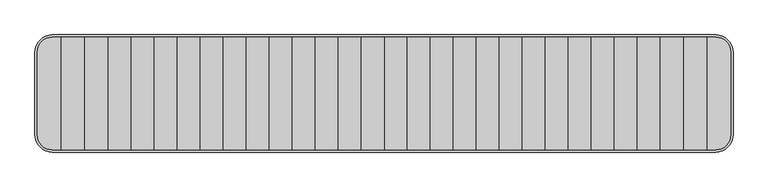
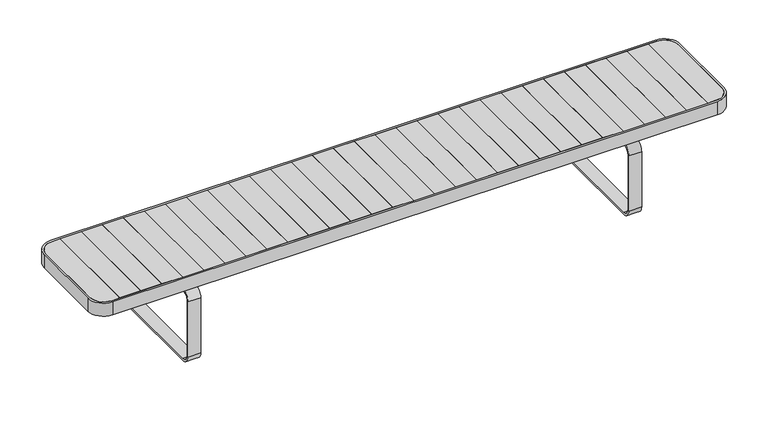
"""IFC4 building model written with IfcOpenShell, lengths in millimetres: furniture geometry."""

from ifc_helpers import new_model, si_unit, point, frame, frame_2d, origin, origin_with_axes, place, context, project, spatial, polyline, circle_curve, trimmed, segment, composite_curve, outline, extrude, source, transform, mapped, element, save
from ifc_brep_helpers import plane_surface, cylinder_surface, advanced_brep


def furniture_b28e46a4(model_context):
    return source(origin(), model_context, "Body", "SolidModel", [
        extrude(outline(polyline([(-1283.1, -242.0), (-1381.8, -242.0), (-1381.8, 242.0), (-1283.1, 242.0), (-1283.1, -242.0)])), frame((0.0, 0.0, 422.0), z_axis=(0.0, 0.0, 1.0), x_axis=(1.0, 0.0, 0.0)), (0.0, 0.0, 1.0), 28.0),
        extrude(outline(polyline([(-1184.4, -242.0), (-1283.1, -242.0), (-1283.1, 242.0), (-1184.4, 242.0), (-1184.4, -242.0)])), frame((0.0, 0.0, 422.0), z_axis=(0.0, 0.0, 1.0), x_axis=(1.0, 0.0, 0.0)), (0.0, 0.0, 1.0), 28.0),
        extrude(outline(polyline([(-1085.7, -242.0), (-1184.4, -242.0), (-1184.4, 242.0), (-1085.7, 242.0), (-1085.7, -242.0)])), frame((0.0, 0.0, 422.0), z_axis=(0.0, 0.0, 1.0), x_axis=(1.0, 0.0, 0.0)), (0.0, 0.0, 1.0), 28.0),
        extrude(outline(polyline([(-987.0, -242.0), (-1085.7, -242.0), (-1085.7, 242.0), (-987.0, 242.0), (-987.0, -242.0)])), frame((0.0, 0.0, 422.0), z_axis=(0.0, 0.0, 1.0), x_axis=(1.0, 0.0, 0.0)), (0.0, 0.0, 1.0), 28.0),
        extrude(outline(polyline([(-888.3, -242.0), (-987.0, -242.0), (-987.0, 242.0), (-888.3, 242.0), (-888.3, -242.0)])), frame((0.0, 0.0, 422.0), z_axis=(0.0, 0.0, 1.0), x_axis=(1.0, 0.0, 0.0)), (0.0, 0.0, 1.0), 28.0),
        extrude(outline(polyline([(-789.6, -242.0), (-888.3, -242.0), (-888.3, 242.0), (-789.6, 242.0), (-789.6, -242.0)])), frame((0.0, 0.0, 422.0), z_axis=(0.0, 0.0, 1.0), x_axis=(1.0, 0.0, 0.0)), (0.0, 0.0, 1.0), 28.0),
        extrude(outline(polyline([(-690.9, -242.0), (-789.6, -242.0), (-789.6, 242.0), (-690.9, 242.0), (-690.9, -242.0)])), frame((0.0, 0.0, 422.0), z_axis=(0.0, 0.0, 1.0), x_axis=(1.0, 0.0, 0.0)), (0.0, 0.0, 1.0), 28.0),
        extrude(outline(polyline([(-592.2, -242.0), (-690.9, -242.0), (-690.9, 242.0), (-592.2, 242.0), (-592.2, -242.0)])), frame((0.0, 0.0, 422.0), z_axis=(0.0, 0.0, 1.0), x_axis=(1.0, 0.0, 0.0)), (0.0, 0.0, 1.0), 28.0),
        extrude(outline(polyline([(-493.5, -242.0), (-592.2, -242.0), (-592.2, 242.0), (-493.5, 242.0), (-493.5, -242.0)])), frame((0.0, 0.0, 422.0), z_axis=(0.0, 0.0, 1.0), x_axis=(1.0, 0.0, 0.0)), (0.0, 0.0, 1.0), 28.0),
        extrude(outline(polyline([(-394.8, -242.0), (-493.5, -242.0), (-493.5, 242.0), (-394.8, 242.0), (-394.8, -242.0)])), frame((0.0, 0.0, 422.0), z_axis=(0.0, 0.0, 1.0), x_axis=(1.0, 0.0, 0.0)), (0.0, 0.0, 1.0), 28.0),
        extrude(outline(polyline([(-296.1, -242.0), (-394.8, -242.0), (-394.8, 242.0), (-296.1, 242.0), (-296.1, -242.0)])), frame((0.0, 0.0, 422.0), z_axis=(0.0, 0.0, 1.0), x_axis=(1.0, 0.0, 0.0)), (0.0, 0.0, 1.0), 28.0),
        extrude(outline(composite_curve([segment(polyline([(-1485.5004557, -177.0), (-1485.5004557, 177.0)]), True, "CONTINUOUS"), segment(trimmed(circle_curve(frame_2d((-1420.5004557, 177.0)), 65.0), [point((-1485.5004557, 177.0))], [point((-1420.5004557, 242.0))], False, "CARTESIAN"), True, "CONTINUOUS"), segment(polyline([(-1420.5004557, 242.0), (-1381.8, 242.0), (-1381.8, -242.0), (-1420.5004557, -242.0)]), True, "CONTINUOUS"), segment(trimmed(circle_curve(frame_2d((-1420.5004557, -177.0)), 65.0), [point((-1420.5004557, -242.0))], [point((-1485.5004557, -177.0))], False, "CARTESIAN"), True, "CONTINUOUS")], self_intersect=False)), frame((0.0, 0.0, 422.0), z_axis=(0.0, 0.0, 1.0), x_axis=(1.0, 0.0, 0.0)), (0.0, 0.0, 1.0), 28.0),
        extrude(outline(polyline([(-197.4, -242.0), (-296.1, -242.0), (-296.1, 242.0), (-197.4, 242.0), (-197.4, -242.0)])), frame((0.0, 0.0, 422.0), z_axis=(0.0, 0.0, 1.0), x_axis=(1.0, 0.0, 0.0)), (0.0, 0.0, 1.0), 28.0),
        extrude(outline(polyline([(-98.7, -242.0), (-197.4, -242.0), (-197.4, 242.0), (-98.7, 242.0), (-98.7, -242.0)])), frame((0.0, 0.0, 422.0), z_axis=(0.0, 0.0, 1.0), x_axis=(1.0, 0.0, 0.0)), (0.0, 0.0, 1.0), 28.0),
        extrude(outline(polyline([(0.0, -242.0), (-98.7, -242.0), (-98.7, 242.0), (0.0, 242.0), (0.0, -242.0)])), frame((0.0, 0.0, 422.0), z_axis=(0.0, 0.0, 1.0), x_axis=(1.0, 0.0, 0.0)), (0.0, 0.0, 1.0), 28.0),
        extrude(outline(polyline([(1381.8, -242.0), (1283.1, -242.0), (1283.1, 242.0), (1381.8, 242.0), (1381.8, -242.0)])), frame((0.0, 0.0, 422.0), z_axis=(0.0, 0.0, 1.0), x_axis=(1.0, 0.0, 0.0)), (0.0, 0.0, 1.0), 28.0),
        extrude(outline(polyline([(1283.1, -242.0), (1184.4, -242.0), (1184.4, 242.0), (1283.1, 242.0), (1283.1, -242.0)])), frame((0.0, 0.0, 422.0), z_axis=(0.0, 0.0, 1.0), x_axis=(1.0, 0.0, 0.0)), (0.0, 0.0, 1.0), 28.0),
        extrude(outline(polyline([(1184.4, -242.0), (1085.7, -242.0), (1085.7, 242.0), (1184.4, 242.0), (1184.4, -242.0)])), frame((0.0, 0.0, 422.0), z_axis=(0.0, 0.0, 1.0), x_axis=(1.0, 0.0, 0.0)), (0.0, 0.0, 1.0), 28.0),
        extrude(outline(polyline([(1085.7, -242.0), (987.0, -242.0), (987.0, 242.0), (1085.7, 242.0), (1085.7, -242.0)])), frame((0.0, 0.0, 422.0), z_axis=(0.0, 0.0, 1.0), x_axis=(1.0, 0.0, 0.0)), (0.0, 0.0, 1.0), 28.0),
        extrude(outline(polyline([(987.0, -242.0), (888.3, -242.0), (888.3, 242.0), (987.0, 242.0), (987.0, -242.0)])), frame((0.0, 0.0, 422.0), z_axis=(0.0, 0.0, 1.0), x_axis=(1.0, 0.0, 0.0)), (0.0, 0.0, 1.0), 28.0),
        extrude(outline(polyline([(888.3, -242.0), (789.6, -242.0), (789.6, 242.0), (888.3, 242.0), (888.3, -242.0)])), frame((0.0, 0.0, 422.0), z_axis=(0.0, 0.0, 1.0), x_axis=(1.0, 0.0, 0.0)), (0.0, 0.0, 1.0), 28.0),
        extrude(outline(polyline([(789.6, -242.0), (690.9, -242.0), (690.9, 242.0), (789.6, 242.0), (789.6, -242.0)])), frame((0.0, 0.0, 422.0), z_axis=(0.0, 0.0, 1.0), x_axis=(1.0, 0.0, 0.0)), (0.0, 0.0, 1.0), 28.0),
        extrude(outline(polyline([(690.9, -242.0), (592.2, -242.0), (592.2, 242.0), (690.9, 242.0), (690.9, -242.0)])), frame((0.0, 0.0, 422.0), z_axis=(0.0, 0.0, 1.0), x_axis=(1.0, 0.0, 0.0)), (0.0, 0.0, 1.0), 28.0),
        extrude(outline(polyline([(592.2, -242.0), (493.5, -242.0), (493.5, 242.0), (592.2, 242.0), (592.2, -242.0)])), frame((0.0, 0.0, 422.0), z_axis=(0.0, 0.0, 1.0), x_axis=(1.0, 0.0, 0.0)), (0.0, 0.0, 1.0), 28.0),
        extrude(outline(polyline([(493.5, -242.0), (394.8, -242.0), (394.8, 242.0), (493.5, 242.0), (493.5, -242.0)])), frame((0.0, 0.0, 422.0), z_axis=(0.0, 0.0, 1.0), x_axis=(1.0, 0.0, 0.0)), (0.0, 0.0, 1.0), 28.0),
        extrude(outline(polyline([(394.8, -242.0), (296.1, -242.0), (296.1, 242.0), (394.8, 242.0), (394.8, -242.0)])), frame((0.0, 0.0, 422.0), z_axis=(0.0, 0.0, 1.0), x_axis=(1.0, 0.0, 0.0)), (0.0, 0.0, 1.0), 28.0),
        extrude(outline(polyline([(-117.9984649, 418.0), (117.9984649, 418.0), (117.9984649, 364.9997207), (112.9984649, 364.9997207), (112.9984649, 413.0), (-112.9984649, 413.0), (-112.9984649, 364.9997207), (-117.9984649, 364.9997207), (-117.9984649, 418.0)])), frame((1006.3785687, 0.0, 0.0), z_axis=(1.0, 0.0, 0.0), x_axis=(0.0, 1.0, 0.0)), (0.0, 0.0, 1.0), 60.0),
        extrude(outline(composite_curve([segment(polyline([(250.0000534, 324.9997207), (250.0000534, 49.9997207)]), True, "CONTINUOUS"), segment(trimmed(circle_curve(frame_2d((210.0000534, 49.9997207)), 40.0), [point((250.0000534, 49.9997207))], [point((210.0000534, 9.9997207))], False, "CARTESIAN"), True, "CONTINUOUS"), segment(polyline([(210.0000534, 9.9997207), (-210.0000534, 9.9997207)]), True, "CONTINUOUS"), segment(trimmed(circle_curve(frame_2d((-210.0000534, 49.9997207)), 40.0), [point((-210.0000534, 9.9997207))], [point((-250.0000534, 49.9997207))], False, "CARTESIAN"), True, "CONTINUOUS"), segment(polyline([(-250.0000534, 49.9997207), (-250.0000534, 324.9997207)]), True, "CONTINUOUS"), segment(trimmed(circle_curve(frame_2d((-210.0000534, 324.9997207)), 40.0), [point((-250.0000534, 324.9997207))], [point((-210.0000534, 364.9997207))], False, "CARTESIAN"), True, "CONTINUOUS"), segment(polyline([(-210.0000534, 364.9997207), (210.0000534, 364.9997207)]), True, "CONTINUOUS"), segment(trimmed(circle_curve(frame_2d((210.0000534, 324.9997207)), 40.0), [point((210.0000534, 364.9997207))], [point((250.0000534, 324.9997207))], False, "CARTESIAN"), True, "CONTINUOUS")], self_intersect=False), holes=[composite_curve([segment(polyline([(-240.0000534, 324.9997207), (-240.0000534, 49.9997207)]), True, "CONTINUOUS"), segment(trimmed(circle_curve(frame_2d((-210.0000534, 49.9997207)), 30.0), [point((-240.0000534, 49.9997207))], [point((-210.0000534, 19.9997207))], True, "CARTESIAN"), True, "CONTINUOUS"), segment(polyline([(-210.0000534, 19.9997207), (210.0000534, 19.9997207)]), True, "CONTINUOUS"), segment(trimmed(circle_curve(frame_2d((210.0000534, 49.9997207)), 30.0), [point((210.0000534, 19.9997207))], [point((240.0000534, 49.9997207))], True, "CARTESIAN"), True, "CONTINUOUS"), segment(polyline([(240.0000534, 49.9997207), (240.0000534, 324.9997207)]), True, "CONTINUOUS"), segment(trimmed(circle_curve(frame_2d((210.0000534, 324.9997207)), 30.0), [point((240.0000534, 324.9997207))], [point((210.0000534, 354.9997207))], True, "CARTESIAN"), True, "CONTINUOUS"), segment(polyline([(210.0000534, 354.9997207), (-210.0000534, 354.9997207)]), True, "CONTINUOUS"), segment(trimmed(circle_curve(frame_2d((-210.0000534, 324.9997207)), 30.0), [point((-210.0000534, 354.9997207))], [point((-240.0000534, 324.9997207))], True, "CARTESIAN"), True, "CONTINUOUS")], self_intersect=False)]), frame((1006.3785687, 0.0, 0.0), z_axis=(1.0, 0.0, 0.0), x_axis=(0.0, 1.0, 0.0)), (0.0, 0.0, 1.0), 60.0),
        extrude(outline(polyline([(-117.9984649, 418.0), (117.9984649, 418.0), (117.9984649, 364.9997207), (112.9984649, 364.9997207), (112.9984649, 413.0), (-112.9984649, 413.0), (-112.9984649, 364.9997207), (-117.9984649, 364.9997207), (-117.9984649, 418.0)])), frame((-1066.3785687, 0.0, 0.0), z_axis=(1.0, 0.0, 0.0), x_axis=(0.0, 1.0, 0.0)), (0.0, 0.0, 1.0), 60.0),
        extrude(outline(composite_curve([segment(trimmed(circle_curve(frame_2d((-1036.35, -190.018381)), 15.0), [point((-1051.35, -190.018381))], [point((-1021.35, -190.018381))], False, "CARTESIAN"), True, "CONTINUOUS"), segment(trimmed(circle_curve(frame_2d((-1036.35, -190.018381)), 15.0), [point((-1021.35, -190.018381))], [point((-1051.35, -190.018381))], False, "CARTESIAN"), True, "CONTINUOUS")], self_intersect=False)), origin_with_axes(), (0.0, 0.0, 1.0), 10.0),
        extrude(outline(composite_curve([segment(trimmed(circle_curve(frame_2d((-1036.35, 190.018381)), 15.0), [point((-1051.35, 190.018381))], [point((-1021.35, 190.018381))], False, "CARTESIAN"), True, "CONTINUOUS"), segment(trimmed(circle_curve(frame_2d((-1036.35, 190.018381)), 15.0), [point((-1021.35, 190.018381))], [point((-1051.35, 190.018381))], False, "CARTESIAN"), True, "CONTINUOUS")], self_intersect=False)), origin_with_axes(), (0.0, 0.0, 1.0), 10.0),
        extrude(outline(composite_curve([segment(trimmed(circle_curve(frame_2d((1036.35, -190.018381)), 15.0), [point((1051.35, -190.018381))], [point((1021.35, -190.018381))], False, "CARTESIAN"), True, "CONTINUOUS"), segment(trimmed(circle_curve(frame_2d((1036.35, -190.018381)), 15.0), [point((1021.35, -190.018381))], [point((1051.35, -190.018381))], False, "CARTESIAN"), True, "CONTINUOUS")], self_intersect=False)), origin_with_axes(), (0.0, 0.0, 1.0), 10.0),
        extrude(outline(composite_curve([segment(trimmed(circle_curve(frame_2d((1036.35, 190.018381)), 15.0), [point((1051.35, 190.018381))], [point((1021.35, 190.018381))], False, "CARTESIAN"), True, "CONTINUOUS"), segment(trimmed(circle_curve(frame_2d((1036.35, 190.018381)), 15.0), [point((1021.35, 190.018381))], [point((1051.35, 190.018381))], False, "CARTESIAN"), True, "CONTINUOUS")], self_intersect=False)), origin_with_axes(), (0.0, 0.0, 1.0), 10.0),
        extrude(outline(composite_curve([segment(polyline([(250.0000534, 324.9997207), (250.0000534, 49.9997207)]), True, "CONTINUOUS"), segment(trimmed(circle_curve(frame_2d((210.0000534, 49.9997207)), 40.0), [point((250.0000534, 49.9997207))], [point((210.0000534, 9.9997207))], False, "CARTESIAN"), True, "CONTINUOUS"), segment(polyline([(210.0000534, 9.9997207), (-210.0000534, 9.9997207)]), True, "CONTINUOUS"), segment(trimmed(circle_curve(frame_2d((-210.0000534, 49.9997207)), 40.0), [point((-210.0000534, 9.9997207))], [point((-250.0000534, 49.9997207))], False, "CARTESIAN"), True, "CONTINUOUS"), segment(polyline([(-250.0000534, 49.9997207), (-250.0000534, 324.9997207)]), True, "CONTINUOUS"), segment(trimmed(circle_curve(frame_2d((-210.0000534, 324.9997207)), 40.0), [point((-250.0000534, 324.9997207))], [point((-210.0000534, 364.9997207))], False, "CARTESIAN"), True, "CONTINUOUS"), segment(polyline([(-210.0000534, 364.9997207), (210.0000534, 364.9997207)]), True, "CONTINUOUS"), segment(trimmed(circle_curve(frame_2d((210.0000534, 324.9997207)), 40.0), [point((210.0000534, 364.9997207))], [point((250.0000534, 324.9997207))], False, "CARTESIAN"), True, "CONTINUOUS")], self_intersect=False), holes=[composite_curve([segment(polyline([(-240.0000534, 324.9997207), (-240.0000534, 49.9997207)]), True, "CONTINUOUS"), segment(trimmed(circle_curve(frame_2d((-210.0000534, 49.9997207)), 30.0), [point((-240.0000534, 49.9997207))], [point((-210.0000534, 19.9997207))], True, "CARTESIAN"), True, "CONTINUOUS"), segment(polyline([(-210.0000534, 19.9997207), (210.0000534, 19.9997207)]), True, "CONTINUOUS"), segment(trimmed(circle_curve(frame_2d((210.0000534, 49.9997207)), 30.0), [point((210.0000534, 19.9997207))], [point((240.0000534, 49.9997207))], True, "CARTESIAN"), True, "CONTINUOUS"), segment(polyline([(240.0000534, 49.9997207), (240.0000534, 324.9997207)]), True, "CONTINUOUS"), segment(trimmed(circle_curve(frame_2d((210.0000534, 324.9997207)), 30.0), [point((240.0000534, 324.9997207))], [point((210.0000534, 354.9997207))], True, "CARTESIAN"), True, "CONTINUOUS"), segment(polyline([(210.0000534, 354.9997207), (-210.0000534, 354.9997207)]), True, "CONTINUOUS"), segment(trimmed(circle_curve(frame_2d((-210.0000534, 324.9997207)), 30.0), [point((-210.0000534, 354.9997207))], [point((-240.0000534, 324.9997207))], True, "CARTESIAN"), True, "CONTINUOUS")], self_intersect=False)]), frame((-1066.3785687, 0.0, 0.0), z_axis=(1.0, 0.0, 0.0), x_axis=(0.0, 1.0, 0.0)), (0.0, 0.0, 1.0), 60.0),
        advanced_brep(
        [(-1485.5004557, 177.0, 422.0), (-1485.5004557, -177.0, 422.0), (-1420.5004557, -242.0, 422.0), (1420.5004557, -242.0, 422.0), (1485.5004557, -177.0, 422.0), (1485.5004557, 177.0, 422.0), (1420.5004557, 242.0, 422.0), (-1420.5004557, 242.0, 422.0), (1386.8, 141.9868511, 422.0), (1386.8, -142.0, 422.0), (1076.8785308, -142.0, 422.0), (1076.8785308, 142.0, 422.0), (-1376.8, -142.0, 422.0), (-1376.8, 141.9868511, 422.0), (-1076.8785308, 141.9868511, 422.0), (-1076.8785308, -142.0, 422.0), (-995.8618569, 141.9868511, 422.0), (995.8618569, 141.9868511, 422.0), (995.8618569, -142.0, 422.0), (-995.8618569, -142.0, 422.0), (-1485.5004557, 177.0, 418.0), (-1420.5004557, 242.0, 418.0), (1420.5004557, 242.0, 418.0), (1485.5004557, 177.0, 418.0), (1485.5004557, -177.0, 418.0), (1420.5004557, -242.0, 418.0), (-1420.5004557, -242.0, 418.0), (-1485.5004557, -177.0, 418.0), (1386.8, -142.0, 418.0), (1386.8, 141.9868511, 418.0), (1076.8785308, 141.9868511, 418.0), (1076.8785308, -142.0, 418.0), (-1376.8, 141.9868511, 418.0), (-1376.8, -142.0, 418.0), (-1076.8785308, -142.0, 418.0), (-1076.8785308, 142.0, 418.0), (-995.8618569, -142.0, 418.0), (995.8618569, -142.0, 418.0), (995.8618569, 142.0, 418.0), (-995.8618569, 141.9868511, 418.0)],
        [
            (0, 1),
            (1, 2, circle_curve(frame((-1420.5004557, -177.0, 422.0), z_axis=(0.0, 0.0, 1.0), x_axis=(1.0, 0.0, 0.0)), 65.0)),
            (2, 3),
            (3, 4, circle_curve(frame((1420.5004557, -177.0, 422.0), z_axis=(0.0, 0.0, 1.0), x_axis=(-1.0, 0.0, 0.0)), 65.0)),
            (4, 5),
            (5, 6, circle_curve(frame((1420.5004557, 177.0, 422.0), z_axis=(0.0, 0.0, 1.0), x_axis=(-1.0, 0.0, 0.0)), 65.0)),
            (6, 7),
            (7, 0, circle_curve(frame((-1420.5004557, 177.0, 422.0), z_axis=(0.0, 0.0, 1.0), x_axis=(1.0, 0.0, 0.0)), 65.0)),
            (8, 9),
            (9, 10),
            (10, 11),
            (11, 8),
            (12, 13),
            (13, 14),
            (14, 15),
            (15, 12),
            (16, 17),
            (17, 18),
            (18, 19),
            (19, 16),
            (20, 21, circle_curve(frame((-1420.5004557, 177.0, 418.0), z_axis=(0.0, 0.0, -1.0), x_axis=(1.0, 0.0, 0.0)), 65.0)),
            (21, 22),
            (22, 23, circle_curve(frame((1420.5004557, 177.0, 418.0), z_axis=(0.0, 0.0, -1.0), x_axis=(-1.0, 0.0, 0.0)), 65.0)),
            (23, 24),
            (24, 25, circle_curve(frame((1420.5004557, -177.0, 418.0), z_axis=(0.0, 0.0, -1.0), x_axis=(-1.0, 0.0, 0.0)), 65.0)),
            (25, 26),
            (26, 27, circle_curve(frame((-1420.5004557, -177.0, 418.0), z_axis=(0.0, 0.0, -1.0), x_axis=(1.0, 0.0, 0.0)), 65.0)),
            (27, 20),
            (28, 29),
            (29, 30),
            (30, 31),
            (31, 28),
            (32, 33),
            (33, 34),
            (34, 35),
            (35, 32),
            (36, 37),
            (37, 38),
            (38, 39),
            (39, 36),
            (0, 20),
            (27, 1),
            (26, 2),
            (25, 3),
            (24, 4),
            (23, 5),
            (22, 6),
            (21, 7),
            (29, 8),
            (11, 30),
            (13, 32),
            (35, 14),
            (16, 39),
            (38, 17),
            (28, 9),
            (31, 10),
            (33, 12),
            (15, 34),
            (36, 19),
            (18, 37),
        ],
        [
            plane_surface(frame((-1485.5004557, -177.0, 422.0), z_axis=(0.0, 0.0, 1.0), x_axis=(0.0, -1.0, 0.0))),
            plane_surface(frame((-1485.5004557, -177.0, 418.0), z_axis=(0.0, 0.0, -1.0), x_axis=(0.0, 1.0, 0.0))),
            plane_surface(frame((-1485.5004557, 177.0, 422.0), z_axis=(-1.0, 0.0, 0.0), x_axis=(0.0, 0.0, -1.0))),
            cylinder_surface(frame((-1420.5004557, -177.0, 418.0), z_axis=(0.0, 0.0, 1.0), x_axis=(1.0, 0.0, 0.0)), 65.0),
            plane_surface(frame((-1420.5004557, -242.0, 422.0), z_axis=(0.0, -1.0, 0.0), x_axis=(0.0, 0.0, -1.0))),
            cylinder_surface(frame((1420.5004557, -177.0, 418.0), z_axis=(0.0, 0.0, 1.0), x_axis=(-1.0, 0.0, 0.0)), 65.0),
            plane_surface(frame((1485.5004557, -177.0, 422.0), z_axis=(1.0, 0.0, 0.0), x_axis=(0.0, 0.0, -1.0))),
            cylinder_surface(frame((1420.5004557, 177.0, 418.0), z_axis=(0.0, 0.0, 1.0), x_axis=(-1.0, 0.0, 0.0)), 65.0),
            plane_surface(frame((1420.5004557, 242.0, 422.0), z_axis=(0.0, 1.0, 0.0), x_axis=(0.0, 0.0, -1.0))),
            cylinder_surface(frame((-1420.5004557, 177.0, 418.0), z_axis=(0.0, 0.0, 1.0), x_axis=(1.0, 0.0, 0.0)), 65.0),
            plane_surface(frame((-1376.8, 141.9868511, 422.0), z_axis=(0.0, -1.0, 0.0), x_axis=(0.0, 0.0, -1.0))),
            plane_surface(frame((1386.8, 141.9868511, 422.0), z_axis=(-1.0, 0.0, 0.0), x_axis=(0.0, 0.0, -1.0))),
            plane_surface(frame((1386.8, -142.0, 422.0), z_axis=(0.0, 1.0, 0.0), x_axis=(0.0, 0.0, -1.0))),
            plane_surface(frame((-1376.8, -142.0, 422.0), z_axis=(1.0, 0.0, 0.0), x_axis=(0.0, 0.0, -1.0))),
            plane_surface(frame((-1076.8785308, -142.0, 422.0), z_axis=(-1.0, 0.0, 0.0), x_axis=(0.0, 1.0, 0.0))),
            plane_surface(frame((-995.8618569, -142.0, 418.0), z_axis=(1.0, 0.0, 0.0), x_axis=(0.0, 1.0, 0.0))),
            plane_surface(frame((1076.8785308, -142.0, 418.0), z_axis=(1.0, 0.0, 0.0), x_axis=(0.0, 1.0, 0.0))),
            plane_surface(frame((995.8618569, -142.0, 422.0), z_axis=(-1.0, 0.0, 0.0), x_axis=(0.0, 1.0, 0.0))),
        ],
        [
            (0, [[1, 2, 3, 4, 5, 6, 7, 8], [9, 10, 11, 12], [13, 14, 15, 16], [17, 18, 19, 20]]),
            (1, [[21, 22, 23, 24, 25, 26, 27, 28], [29, 30, 31, 32], [33, 34, 35, 36], [37, 38, 39, 40]]),
            (2, [[-1, 41, -28, 42]]),
            (3, [[-2, -42, -27, 43]]),
            (4, [[-3, -43, -26, 44]]),
            (5, [[-4, -44, -25, 45]]),
            (6, [[-5, -45, -24, 46]]),
            (7, [[-6, -46, -23, 47]]),
            (8, [[-7, -47, -22, 48]]),
            (9, [[-8, -48, -21, -41]]),
            (10, [[49, -12, 50, -30]]),
            (10, [[51, -36, 52, -14]]),
            (10, [[53, -39, 54, -17]]),
            (11, [[-9, -49, -29, 55]]),
            (12, [[-55, -32, 56, -10]]),
            (12, [[57, -16, 58, -34]]),
            (12, [[59, -19, 60, -37]]),
            (13, [[-13, -57, -33, -51]]),
            (14, [[-35, -58, -15, -52]]),
            (15, [[-40, -53, -20, -59]]),
            (16, [[-31, -50, -11, -56]]),
            (17, [[-38, -60, -18, -54]]),
        ],
    ),
        extrude(outline(composite_curve([segment(trimmed(circle_curve(frame_2d((1420.5004557, -177.0)), 65.0), [point((1485.5004557, -177.0))], [point((1420.5004557, -242.0))], False, "CARTESIAN"), True, "CONTINUOUS"), segment(polyline([(1420.5004557, -242.0), (1381.8, -242.0), (1381.8, 242.0), (1420.5004557, 242.0)]), True, "CONTINUOUS"), segment(trimmed(circle_curve(frame_2d((1420.5004557, 177.0)), 65.0), [point((1420.5004557, 242.0))], [point((1485.5004557, 177.0))], False, "CARTESIAN"), True, "CONTINUOUS"), segment(polyline([(1485.5004557, 177.0), (1485.5004557, -177.0)]), True, "CONTINUOUS")], self_intersect=False)), frame((0.0, 0.0, 422.0), z_axis=(0.0, 0.0, 1.0), x_axis=(1.0, 0.0, 0.0)), (0.0, 0.0, 1.0), 28.0),
        extrude(outline(polyline([(296.1, -242.0), (197.4, -242.0), (197.4, 242.0), (296.1, 242.0), (296.1, -242.0)])), frame((0.0, 0.0, 422.0), z_axis=(0.0, 0.0, 1.0), x_axis=(1.0, 0.0, 0.0)), (0.0, 0.0, 1.0), 28.0),
        extrude(outline(polyline([(197.4, -242.0), (98.7, -242.0), (98.7, 242.0), (197.4, 242.0), (197.4, -242.0)])), frame((0.0, 0.0, 422.0), z_axis=(0.0, 0.0, 1.0), x_axis=(1.0, 0.0, 0.0)), (0.0, 0.0, 1.0), 28.0),
        extrude(outline(polyline([(98.7, -242.0), (0.0, -242.0), (0.0, 242.0), (98.7, 242.0), (98.7, -242.0)])), frame((0.0, 0.0, 422.0), z_axis=(0.0, 0.0, 1.0), x_axis=(1.0, 0.0, 0.0)), (0.0, 0.0, 1.0), 28.0),
        extrude(outline(composite_curve([segment(polyline([(-1495.5004557, -177.0), (-1495.5004557, 177.0)]), True, "CONTINUOUS"), segment(trimmed(circle_curve(frame_2d((-1420.5004557, 177.0)), 75.0), [point((-1495.5004557, 177.0))], [point((-1420.5004557, 252.0))], False, "CARTESIAN"), True, "CONTINUOUS"), segment(polyline([(-1420.5004557, 252.0), (1420.5004557, 252.0)]), True, "CONTINUOUS"), segment(trimmed(circle_curve(frame_2d((1420.5004557, 177.0)), 75.0), [point((1420.5004557, 252.0))], [point((1495.5004557, 177.0))], False, "CARTESIAN"), True, "CONTINUOUS"), segment(polyline([(1495.5004557, 177.0), (1495.5004557, -177.0)]), True, "CONTINUOUS"), segment(trimmed(circle_curve(frame_2d((1420.5004557, -177.0)), 75.0), [point((1495.5004557, -177.0))], [point((1420.5004557, -252.0))], False, "CARTESIAN"), True, "CONTINUOUS"), segment(polyline([(1420.5004557, -252.0), (-1420.5004557, -252.0)]), True, "CONTINUOUS"), segment(trimmed(circle_curve(frame_2d((-1420.5004557, -177.0)), 75.0), [point((-1420.5004557, -252.0))], [point((-1495.5004557, -177.0))], False, "CARTESIAN"), True, "CONTINUOUS")], self_intersect=False), holes=[composite_curve([segment(trimmed(circle_curve(frame_2d((-1420.5004557, -177.0)), 65.0), [point((-1485.5004557, -177.0))], [point((-1420.5004557, -242.0))], True, "CARTESIAN"), True, "CONTINUOUS"), segment(polyline([(-1420.5004557, -242.0), (1420.5004557, -242.0)]), True, "CONTINUOUS"), segment(trimmed(circle_curve(frame_2d((1420.5004557, -177.0)), 65.0), [point((1420.5004557, -242.0))], [point((1485.5004557, -177.0))], True, "CARTESIAN"), True, "CONTINUOUS"), segment(polyline([(1485.5004557, -177.0), (1485.5004557, 177.0)]), True, "CONTINUOUS"), segment(trimmed(circle_curve(frame_2d((1420.5004557, 177.0)), 65.0), [point((1485.5004557, 177.0))], [point((1420.5004557, 242.0))], True, "CARTESIAN"), True, "CONTINUOUS"), segment(polyline([(1420.5004557, 242.0), (-1420.5004557, 242.0)]), True, "CONTINUOUS"), segment(trimmed(circle_curve(frame_2d((-1420.5004557, 177.0)), 65.0), [point((-1420.5004557, 242.0))], [point((-1485.5004557, 177.0))], True, "CARTESIAN"), True, "CONTINUOUS"), segment(polyline([(-1485.5004557, 177.0), (-1485.5004557, -177.0)]), True, "CONTINUOUS")], self_intersect=False)]), frame((0.0, 0.0, 385.0000413), z_axis=(0.0, 0.0, 1.0), x_axis=(1.0, 0.0, 0.0)), (0.0, 0.0, 1.0), 64.9999587),
    ])


if __name__ == "__main__":
    model = new_model("IFC4")
    model_context = context("Model", 3, world=origin())
    ifc_project = project(units=[si_unit("LENGTHUNIT", "METRE", prefix="MILLI")], contexts=[model_context])
    site = spatial("IfcSite", under=ifc_project)
    building = spatial("IfcBuilding", under=site)
    placement = place(None, origin())
    furniture_shape = furniture_b28e46a4(model_context)
    element("IfcFurniture", 1, at=placement, inside=building, context=model_context, shape_type="MappedRepresentation", body=[
        mapped(furniture_shape, transform((0.0, 0.0, 0.0), x_axis=(1.0, 0.0, 0.0), y_axis=(0.0, 1.0, 0.0), z_axis=(0.0, 0.0, 1.0))),
    ])
    save(model, "model.ifc")
